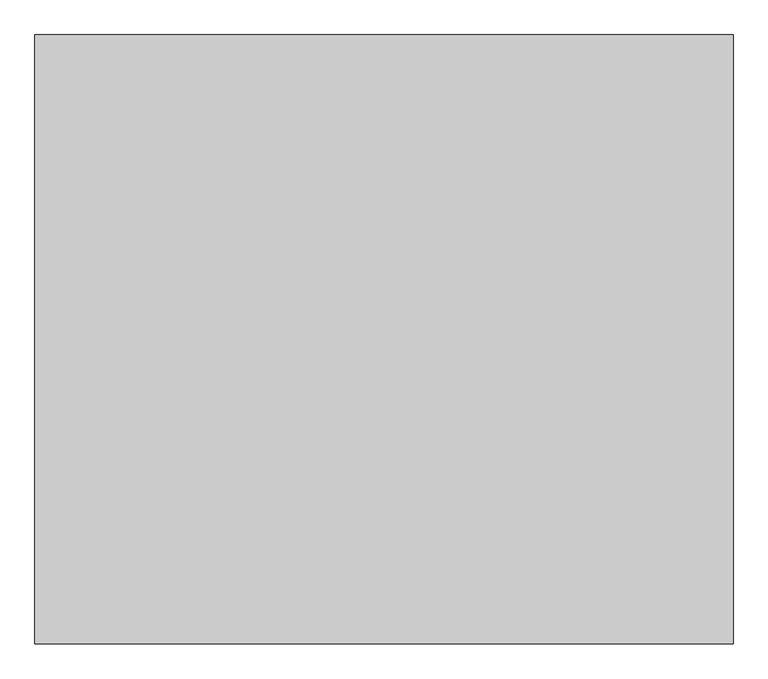
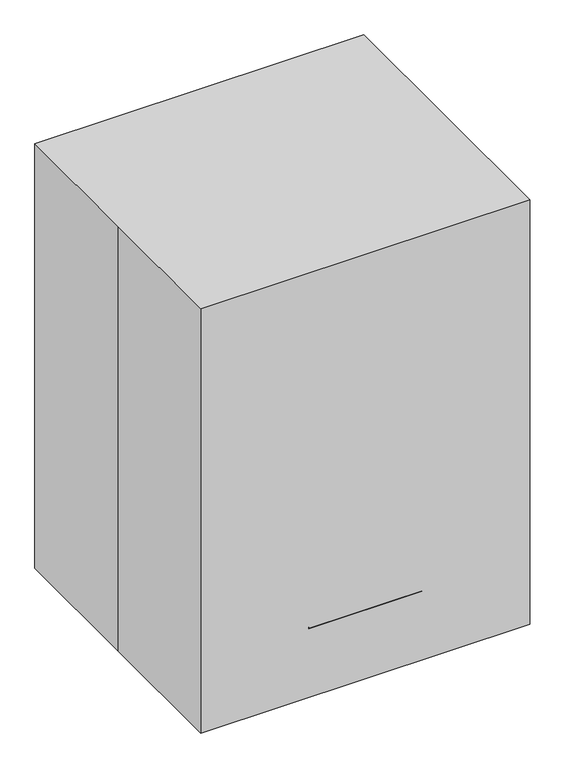
"""IFC4 building model written with IfcOpenShell, lengths in millimetres: proxy geometry."""

import ifcopenshell
import ifcopenshell.guid

model = None  # the IFC model being written
_history = None  # IfcOwnerHistory: only IFC2X3 demands one
_inside = {}  # id of a spatial element -> (the spatial element, [elements in it])
_under = {}  # id of a project, library or spatial element -> (it, [spatial elements below it])
_declared = {}  # id of a project -> (the project, [libraries it declares])
_typed = {}  # id of a type object -> (the type object, [elements of that type])
_made_of = {}  # id of a material, layer set ... -> (it, [elements and type objects made of it])


def new_model(schema):
    """Start an empty IFC model of exactly this schema.

    Asked for "IFC4X3", IfcOpenShell would pick the latest addendum, in which some entities
    have other attributes; the version numbers below select the first issue.
    IFC2X3 requires an IfcOwnerHistory on every rooted entity: one is made here for all.
    """
    global model, _history
    if schema == "IFC4X3":
        model = ifcopenshell.file(schema_version=(4, 3, 0, 0))
    else:
        model = ifcopenshell.file(schema=schema)
    _inside.clear()
    _under.clear()
    _declared.clear()
    _typed.clear()
    _made_of.clear()
    _history = None
    if model.schema == "IFC2X3":
        org = make("IfcOrganization", Name="unknown")
        user = make(
            "IfcPersonAndOrganization",
            ThePerson=make("IfcPerson", FamilyName="unknown"),
            TheOrganization=org,
        )
        app = make(
            "IfcApplication",
            ApplicationDeveloper=org,
            Version="unknown",
            ApplicationFullName="unknown",
            ApplicationIdentifier="unknown",
        )
        _history = make(
            "IfcOwnerHistory",
            OwningUser=user,
            OwningApplication=app,
            ChangeAction="ADDED",
            CreationDate=0,
        )
    return model


def make(cls, **values):
    """One entity of the class cls with the attributes given. An attribute that is None is left unset."""
    return model.create_entity(
        cls, **{name: value for name, value in values.items() if value is not None}
    )


def rooted(cls, **values):
    """An entity with a GlobalId (a new one), such as an element, a storey or a relation."""
    return make(cls, GlobalId=ifcopenshell.guid.new(), OwnerHistory=_history, **values)


def si_unit(unit_type, name, prefix=None):
    """IfcSIUnit, for example si_unit("LENGTHUNIT", "METRE", prefix="MILLI")."""
    return make("IfcSIUnit", UnitType=unit_type, Prefix=prefix, Name=name)


def assignment(units):
    """IfcUnitAssignment: the units of a project."""
    return None if units is None else make("IfcUnitAssignment", Units=units)


def point(xyz):
    """IfcCartesianPoint."""
    return None if xyz is None else make("IfcCartesianPoint", Coordinates=xyz)


def direction(xyz):
    """IfcDirection."""
    return None if xyz is None else make("IfcDirection", DirectionRatios=xyz)


def frame(location, z_axis=None, x_axis=None):
    """IfcAxis2Placement3D, a coordinate frame: its origin and axes. An axis left out is left unset."""
    return make(
        "IfcAxis2Placement3D",
        Location=point(location),
        Axis=direction(z_axis),
        RefDirection=direction(x_axis),
    )


def frame_2d(location, x_axis=None):
    """IfcAxis2Placement2D, a coordinate frame in the plane: its origin and x axis."""
    return make(
        "IfcAxis2Placement2D", Location=point(location), RefDirection=direction(x_axis)
    )


def origin():
    """The frame at (0, 0, 0) with its axes left unset."""
    return frame((0.0, 0.0, 0.0))


def origin_with_axes():
    """The frame at (0, 0, 0) with the z axis (0, 0, 1) and the x axis (1, 0, 0) written out."""
    return frame((0.0, 0.0, 0.0), z_axis=(0.0, 0.0, 1.0), x_axis=(1.0, 0.0, 0.0))


def place(relative_to, where):
    """IfcLocalPlacement: puts the frame where relative to a parent placement (None: the world)."""
    return make(
        "IfcLocalPlacement", PlacementRelTo=relative_to, RelativePlacement=where
    )


def context(
    kind, dimensions, precision=None, world=None, true_north=None, identifier=None
):
    """IfcGeometricRepresentationContext, for example the 3D "Model" context."""
    return make(
        "IfcGeometricRepresentationContext",
        ContextIdentifier=identifier,
        ContextType=kind,
        CoordinateSpaceDimension=dimensions,
        Precision=precision,
        WorldCoordinateSystem=world,
        TrueNorth=true_north,
    )


def project(units=None, contexts=None):
    """IfcProject with its units and contexts."""
    return rooted(
        "IfcProject",
        Name="project",
        RepresentationContexts=contexts,
        UnitsInContext=assignment(units),
    )


def spatial(cls, under=None, at=None, **own):
    """A site, building, storey or space (cls), placed at a placement, below another one or the project."""
    s = rooted(cls, ObjectPlacement=at, **own)
    if under is not None:
        _under.setdefault(under.id(), (under, []))[1].append(s)
    return s


def polyline(points):
    """IfcPolyline through the points."""
    return make("IfcPolyline", Points=[point(p) for p in points])


def circle_curve(where, radius):
    """IfcCircle in the frame where."""
    return make("IfcCircle", Position=where, Radius=radius)


def trimmed(basis, trim1, trim2, sense, master):
    """IfcTrimmedCurve: the piece of a basis curve between two trims."""
    return make(
        "IfcTrimmedCurve",
        BasisCurve=basis,
        Trim1=trim1,
        Trim2=trim2,
        SenseAgreement=sense,
        MasterRepresentation=master,
    )


def segment(curve, same_sense, transition):
    """IfcCompositeCurveSegment."""
    return make(
        "IfcCompositeCurveSegment",
        Transition=transition,
        SameSense=same_sense,
        ParentCurve=curve,
    )


def composite_curve(segments, self_intersect=None):
    """IfcCompositeCurve: segments joined end to end."""
    return make("IfcCompositeCurve", Segments=segments, SelfIntersect=self_intersect)


def outline(outer, holes=None, kind="AREA"):
    """IfcArbitraryClosedProfileDef: a profile drawn as a closed curve; with holes, ...WithVoids."""
    if holes is None:
        return make("IfcArbitraryClosedProfileDef", ProfileType=kind, OuterCurve=outer)
    return make(
        "IfcArbitraryProfileDefWithVoids",
        ProfileType=kind,
        OuterCurve=outer,
        InnerCurves=holes,
    )


def extrude(swept, where, along, depth):
    """IfcExtrudedAreaSolid: the profile swept, set in the frame where, extruded along a direction by depth."""
    return make(
        "IfcExtrudedAreaSolid",
        SweptArea=swept,
        Position=where,
        ExtrudedDirection=direction(along),
        Depth=depth,
    )


def shape(context_of_items, identifier, shape_type, items):
    """IfcShapeRepresentation: the items that make up one representation, for example the "Body"."""
    return make(
        "IfcShapeRepresentation",
        ContextOfItems=context_of_items,
        RepresentationIdentifier=identifier,
        RepresentationType=shape_type,
        Items=items,
    )


def source(mapping_origin, context_of_items, identifier, shape_type, items):
    """IfcRepresentationMap: a shape defined once, which mapped items show again and again."""
    return make(
        "IfcRepresentationMap",
        MappingOrigin=mapping_origin,
        MappedRepresentation=shape(context_of_items, identifier, shape_type, items),
    )


def transform(
    local_origin,
    x_axis=None,
    y_axis=None,
    z_axis=None,
    scale=None,
    scale2=None,
    scale3=None,
    uniform=True,
):
    """IfcCartesianTransformationOperator3D, or its non-uniform kind. x_axis, y_axis, z_axis: its Axis1, 2, 3."""
    if uniform:
        return make(
            "IfcCartesianTransformationOperator3D",
            Axis1=direction(x_axis),
            Axis2=direction(y_axis),
            LocalOrigin=point(local_origin),
            Scale=scale,
            Axis3=direction(z_axis),
        )
    return make(
        "IfcCartesianTransformationOperator3DnonUniform",
        Axis1=direction(x_axis),
        Axis2=direction(y_axis),
        LocalOrigin=point(local_origin),
        Scale=scale,
        Axis3=direction(z_axis),
        Scale2=scale2,
        Scale3=scale3,
    )


def mapped(mapping_source, mapping_target):
    """IfcMappedItem: shows the shape of a source again, moved by a transform."""
    return make(
        "IfcMappedItem", MappingSource=mapping_source, MappingTarget=mapping_target
    )


def made_of(thing, what):
    """Note that an element or type object is made of a material, layer set ...; save() writes the relation."""
    if what is not None:
        _made_of.setdefault(what.id(), (what, []))[1].append(thing)
    return thing


def element(
    cls,
    number,
    at=None,
    inside=None,
    cuts=None,
    type_object=None,
    material=None,
    context=None,
    identifier="Body",
    shape_type=None,
    held_by="IfcProductDefinitionShape",
    body=None,
    shapes=None,
    **own,
):
    """One element of the class cls, such as IfcWall. Its Tag is "e" and its number.

    at: its placement. inside: the storey or other place that contains it. cuts: it is an
    opening in that element (IfcRelVoidsElement). A single representation is given by context,
    identifier, shape_type and body (its items); several are given by shapes. held_by: the class
    of the entity that holds the representations. save() writes the other relations.
    """
    e = rooted(cls, Tag="e%d" % number, ObjectPlacement=at, **own)
    if body is not None:
        shapes = [shape(context, identifier, shape_type, body)]
    if shapes is not None:
        e.Representation = make(held_by, Representations=shapes)
    if inside is not None:
        _inside.setdefault(inside.id(), (inside, []))[1].append(e)
    if cuts is not None:
        rooted(
            "IfcRelVoidsElement", RelatingBuildingElement=cuts, RelatedOpeningElement=e
        )
    if type_object is not None:
        _typed.setdefault(type_object.id(), (type_object, []))[1].append(e)
    return made_of(e, material)


def aggregate(whole, parts):
    """IfcRelAggregates: a whole, such as a stair, and the parts it consists of."""
    return rooted("IfcRelAggregates", RelatingObject=whole, RelatedObjects=parts)


def save(model, path):
    """Write the relations noted so far, then the file.

    IfcRelAggregates (storeys below a building ...), IfcRelContainedInSpatialStructure (elements
    in a storey), IfcRelDefinesByType, IfcRelAssociatesMaterial and IfcRelDeclares: one each for
    every whole, place, type object, material and project.
    """
    for whole, parts in _under.values():
        aggregate(whole, parts)
    for where, things in _inside.values():
        rooted(
            "IfcRelContainedInSpatialStructure",
            RelatedElements=things,
            RelatingStructure=where,
        )
    for kind, things in _typed.values():
        rooted("IfcRelDefinesByType", RelatedObjects=things, RelatingType=kind)
    for what, things in _made_of.values():
        rooted("IfcRelAssociatesMaterial", RelatedObjects=things, RelatingMaterial=what)
    for by, libraries in _declared.values():
        rooted("IfcRelDeclares", RelatingContext=by, RelatedDefinitions=libraries)
    model.write(path)


def specialty_equipment_063d6824(model_context):
    return source(origin(), model_context, "Body", "SweptSolid", [
        extrude(outline(composite_curve([segment(polyline([(1676.4, 150.1790709), (1676.4, -24.4459291)]), True, "CONTINUOUS"), segment(trimmed(circle_curve(frame_2d((1600.2, -24.4459291)), 76.2), [point((1676.4, -24.4459291))], [point((1631.3022589, 45.1176353))], False, "CARTESIAN"), True, "CONTINUOUS"), segment(polyline([(1631.3022589, 45.1176353), (1631.3022589, 80.6155065)]), True, "CONTINUOUS"), segment(trimmed(circle_curve(frame_2d((1600.2, 150.1790709)), 76.2), [point((1631.3022589, 80.6155065))], [point((1676.4, 150.1790709))], False, "CARTESIAN"), True, "CONTINUOUS")], self_intersect=False)), frame((0.0, -12.7, 0.0), z_axis=(0.0, 1.0, 0.0), x_axis=(0.0, 0.0, 1.0)), (0.0, 0.0, 1.0), 25.4),
        extrude(outline(polyline([(0.0, 367.6665709), (0.0, 418.4665709), (1879.6, 418.4665709), (1879.6, 37.4665709), (1651.0, 37.4665709), (1651.0, 88.2665709), (1828.8, 88.2665709), (1828.8, 367.6665709), (0.0, 367.6665709)])), frame((0.0, -25.4, 0.0), z_axis=(0.0, 1.0, 0.0), x_axis=(0.0, 0.0, 1.0)), (0.0, 0.0, 1.0), 50.8),
        extrude(outline(polyline([(38.1, 586.0285273), (38.1, 554.2785273), (-38.1, 554.2785273), (-38.1, 586.0285273), (38.1, 586.0285273)])), frame((0.0, 0.0, 1506.0432118), z_axis=(0.0, 0.0, 1.0), x_axis=(1.0, 0.0, 0.0)), (0.0, 0.0, 1.0), 82.55),
        extrude(outline(polyline([(153.6668582, 609.6), (153.6668582, 522.9785012), (-151.1331418, 522.9785012), (-151.1331418, 609.6), (153.6668582, 609.6)])), frame((0.0, 0.0, 1571.5741763), z_axis=(0.0, 0.0, 1.0), x_axis=(1.0, 0.0, 0.0)), (0.0, 0.0, 1.0), 177.8),
        extrude(outline(polyline([(203.2, 990.6), (203.2, 685.8), (127.0, 685.8), (127.0, 914.4), (-203.2, 914.4), (-203.2, 990.6), (203.2, 990.6)])), frame((-292.7334291, 0.0, 0.0), z_axis=(1.0, 0.0, 0.0), x_axis=(0.0, 1.0, 0.0)), (0.0, 0.0, 1.0), 52.0668582),
        extrude(outline(polyline([(203.2, 990.6), (203.2, 685.8), (127.0, 685.8), (127.0, 914.4), (-203.2, 914.4), (-203.2, 990.6), (203.2, 990.6)])), frame((240.6665709, 0.0, 0.0), z_axis=(1.0, 0.0, 0.0), x_axis=(0.0, 1.0, 0.0)), (0.0, 0.0, 1.0), 55.7916128),
        extrude(outline(polyline([(-415.2788736, 248.5774656), (-609.6, 307.987396), (-594.7475174, 356.5676776), (-449.0066726, 312.0102298), (-293.0556053, 822.1031866), (357.2795546, 822.1031866), (522.9785012, 1539.8241763), (609.6, 1519.8260276), (417.0499197, 685.8), (-281.6065302, 685.8), (-415.2788736, 248.5774656)])), frame((-240.6665709, 0.0, 0.0), z_axis=(1.0, 0.0, 0.0), x_axis=(0.0, 1.0, 0.0)), (0.0, 0.0, 1.0), 481.3331418),
        extrude(outline(polyline([(418.4665709, 371.0235257), (418.4665709, -281.6065302), (-292.7334291, -281.6065302), (-292.7334291, 371.0235257), (418.4665709, 371.0235257)])), origin_with_axes(), (0.0, 0.0, 1.0), 685.8),
        extrude(outline(polyline([(-698.5, 609.6), (698.5, 609.6), (698.5, -609.6), (-698.5, -609.6), (-698.5, 0.0), (-698.5, 609.6)])), origin_with_axes(), (0.0, 0.0, 1.0), 1905.0),
    ])


if __name__ == "__main__":
    model = new_model("IFC4")
    model_context = context("Model", 3, world=origin())
    ifc_project = project(units=[si_unit("LENGTHUNIT", "METRE", prefix="MILLI")], contexts=[model_context])
    site = spatial("IfcSite", under=ifc_project)
    building = spatial("IfcBuilding", under=site)
    placement = place(None, origin())
    specialty_equipment_shape = specialty_equipment_063d6824(model_context)
    element("IfcBuildingElementProxy", 1, Name="Specialty Equipment", at=placement, inside=building, context=model_context, shape_type="MappedRepresentation", body=[
        mapped(specialty_equipment_shape, transform((0.0, 0.0, 0.0), x_axis=(1.0, 0.0, 0.0), y_axis=(0.0, 1.0, 0.0), z_axis=(0.0, 0.0, 1.0))),
    ])
    save(model, "model.ifc")
